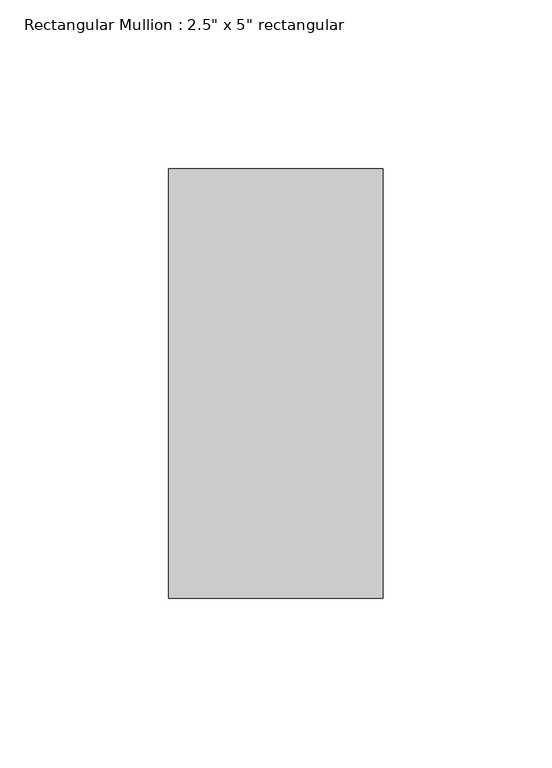
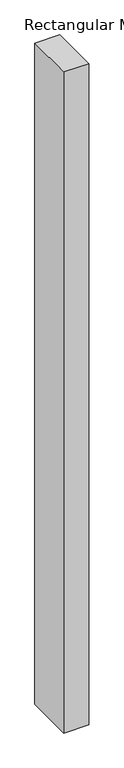
"""IFC4 building model written with IfcOpenShell, lengths in millimetres: member geometry."""

from ifc_helpers import new_model, si_unit, frame, origin, place, context, project, spatial, polyline, outline, extrude, source, transform, mapped, element, save


def member_b755553e(model_context):
    return source(origin(), model_context, "Body", "SweptSolid", [
        extrude(outline(polyline([(0.0, 63.5), (0.0, -63.5), (-63.5, -63.5), (-63.5, 63.5), (0.0, 63.5)])), frame((0.0, 0.0, -1777.4708333), z_axis=(0.0, 0.0, 1.0), x_axis=(1.0, 0.0, 0.0)), (0.0, 0.0, 1.0), 1777.4708333),
    ])


if __name__ == "__main__":
    model = new_model("IFC4")
    model_context = context("Model", 3, world=origin())
    ifc_project = project(units=[si_unit("LENGTHUNIT", "METRE", prefix="MILLI")], contexts=[model_context])
    site = spatial("IfcSite", under=ifc_project)
    building = spatial("IfcBuilding", under=site)
    placement = place(None, origin())
    member_shape = member_b755553e(model_context)
    element("IfcMember", 1, ObjectType="Rectangular Mullion : 2.5\" x 5\" rectangular", at=placement, inside=building, context=model_context, shape_type="MappedRepresentation", body=[
        mapped(member_shape, transform((0.0, 0.0, 0.0), x_axis=(1.0, 0.0, 0.0), y_axis=(0.0, 1.0, 0.0), z_axis=(0.0, 0.0, 1.0))),
    ])
    save(model, "model.ifc")
